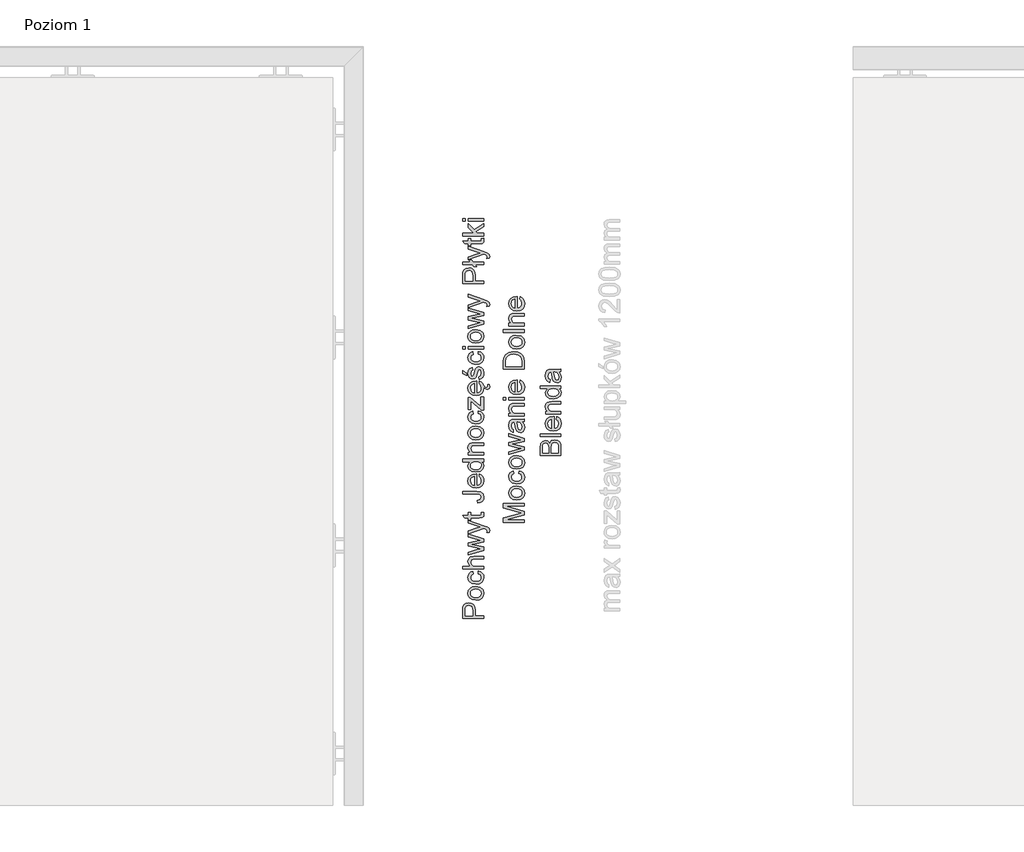
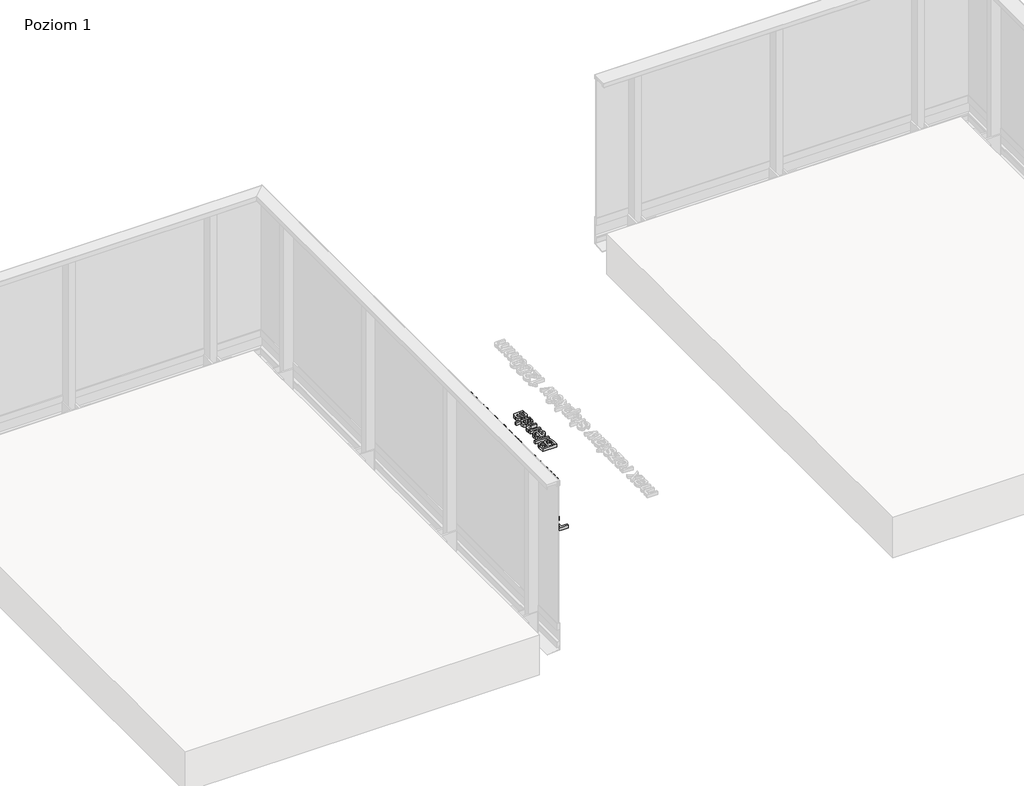
# One storey, part 21 of 35: 3 proxies.
"""IFC4 building model written with IfcOpenShell, lengths in millimetres."""

from ifc_helpers import new_model, si_unit, origin, origin_with_axes, place, context, project, spatial, polyline, outline, extrude, element, save

model = new_model("IFC4")

# Units and contexts
model_context = context("Model", 3, world=origin())
ifc_project = project(units=[si_unit("LENGTHUNIT", "METRE", prefix="MILLI")], contexts=[model_context])

# Site, building, storey
site = spatial("IfcSite", under=ifc_project)
building = spatial("IfcBuilding", under=site)
storey = spatial("IfcBuildingStorey", under=building, Name="Poziom 1", Elevation=0.0)

# Proxies
placement = place(None, origin())
element("IfcBuildingElementProxy", 1, Name="Generic Models", at=placement, inside=storey, context=model_context, shape_type="SweptSolid", body=[
    extrude(outline(polyline([(10115.5993765, -3730.4161008), (10015.1430664, -3730.4161008), (10015.1430664, -3693.1864429), (10016.0995596, -3678.1768575), (10020.7961864, -3665.975438), (10030.508271, -3658.0659751), (10044.205744, -3655.0738682), (10056.0454129, -3657.0941535), (10065.9107817, -3663.1550093), (10072.5694458, -3674.4888405), (10074.7890005, -3692.3280515), (10074.7890005, -3717.859062), (10115.5993765, -3717.859062), (10115.5993765, -3730.4161008)]), holes=[polyline([(10062.2319618, -3717.859062), (10062.2319618, -3691.5922876), (10057.6211741, -3673.1000859), (10052.0722873, -3668.9982017), (10044.6472024, -3667.6309069), (10034.2484047, -3670.8560058), (10028.5584965, -3679.3295544), (10027.7001052, -3691.8865932), (10027.7001052, -3717.859062), (10062.2319618, -3717.859062)])]), origin_with_axes(), (0.0, 0.0, 1.0), 20.0),
    extrude(outline(polyline([(10078.7130752, -3642.5168294), (10060.9259807, -3639.800634), (10048.4241242, -3631.6520478), (10042.298889, -3621.5843439), (10040.2571439, -3609.5300772), (10042.7434131, -3596.338442), (10050.2022205, -3585.8016885), (10062.0449551, -3578.894704), (10077.6830056, -3576.5923759), (10100.0257054, -3580.6636033), (10112.6685833, -3592.5216663), (10117.1690064, -3609.5300772), (10114.6919343, -3622.8811279), (10107.260718, -3633.4056187), (10095.1696631, -3640.2390267), (10078.7130752, -3642.5168294)]), holes=[polyline([(10078.6885497, -3629.9597906), (10090.0530377, -3628.5066567), (10098.1495072, -3624.1472551), (10102.9963525, -3617.5866929), (10104.6119676, -3609.5300772), (10102.9871555, -3601.5102497), (10098.112719, -3594.9619502), (10089.9089505, -3590.6025485), (10078.2961422, -3589.1494146), (10067.2627481, -3590.6117456), (10059.2766431, -3594.9987384), (10054.4297978, -3601.5562349), (10052.8141827, -3609.5300772), (10054.4236664, -3617.5866929), (10059.2521176, -3624.1472551), (10067.3301931, -3628.5066567), (10078.6885497, -3629.9597906)])]), origin_with_axes(), (0.0, 0.0, 1.0), 20.0),
    extrude(outline(polyline([(10088.9156692, -3515.3768119), (10090.485299, -3502.8197731), (10101.6535832, -3506.3207834), (10110.0934093, -3512.8997398), (10115.4001071, -3521.9373741), (10117.1690064, -3532.8144184), (10114.7011313, -3546.1716005), (10107.2975062, -3556.6163835), (10095.2830934, -3563.3578211), (10078.9828553, -3565.6049669), (10058.1239462, -3561.7667315), (10044.7207788, -3550.068084), (10040.2571439, -3532.9860967), (10041.7899856, -3522.3757668), (10046.3885105, -3513.8930212), (10053.8074641, -3507.8076398), (10063.8015916, -3504.3894029), (10065.3712215, -3516.9464417), (10055.9657051, -3522.77124), (10052.8141827, -3532.8879948), (10054.3654184, -3541.0028585), (10059.0191257, -3547.4438591), (10067.0266904, -3551.6469109), (10078.6394988, -3553.0479282), (10090.4086569, -3551.6775677), (10098.4438128, -3547.5664864), (10103.0699289, -3541.2419818), (10104.6119676, -3533.2313514), (10100.7614694, -3521.3978139), (10088.9156692, -3515.3768119)])), origin_with_axes(), (0.0, 0.0, 1.0), 20.0),
    extrude(outline(polyline([(10115.5993765, -3491.8323642), (10015.1430664, -3491.8323642), (10015.1430664, -3479.2753254), (10052.0784187, -3479.2753254), (10043.2124626, -3469.483533), (10040.2571439, -3457.4231349), (10043.4822427, -3443.3209917), (10052.3972498, -3434.761604), (10068.9028886, -3432.18643), (10115.5993765, -3432.18643), (10115.5993765, -3444.7434688), (10070.2027383, -3444.7434688), (10056.9589865, -3448.7411198), (10052.8141827, -3460.0718853), (10055.6100859, -3470.3603184), (10063.188455, -3477.227449), (10076.4076813, -3479.2753254), (10115.5993765, -3479.2753254), (10115.5993765, -3491.8323642)])), origin_with_axes(), (0.0, 0.0, 1.0), 20.0),
    extrude(outline(polyline([(10115.5993765, -3402.682294), (10041.8267738, -3425.1230957), (10041.8267738, -3412.0755476), (10084.8689672, -3399.3468306), (10100.2464346, -3395.5453833), (10085.4330529, -3392.4306491), (10041.8267738, -3382.3016315), (10041.8267738, -3367.341097), (10085.3104256, -3357.2611303), (10098.7258557, -3354.4897526), (10084.5746616, -3350.5166271), (10041.8267738, -3337.7633846), (10041.8267738, -3324.6667856), (10115.5993765, -3347.2792655), (10115.5993765, -3362.4605292), (10072.3364539, -3372.0990375), (10058.8474474, -3374.8949406), (10115.5993765, -3387.3293521), (10115.5993765, -3402.682294)])), origin_with_axes(), (0.0, 0.0, 1.0), 20.0),
    extrude(outline(polyline([(10143.8527138, -3316.0338214), (10131.7616589, -3317.6034513), (10132.8653048, -3311.22683), (10131.479616, -3305.2671417), (10127.616855, -3301.6128472), (10118.3707542, -3298.1792819), (10115.3295964, -3297.1982633), (10041.8267738, -3323.8819706), (10041.8267738, -3310.6382188), (10082.7843026, -3296.4870247), (10099.1673141, -3291.557406), (10084.6972889, -3286.6277873), (10041.8267738, -3272.0841857), (10041.8267738, -3258.9385358), (10117.3652101, -3284.616699), (10133.7482216, -3291.2876259), (10142.601915, -3298.5716894), (10145.4223436, -3308.3573504), (10143.8527138, -3316.0338214)])), origin_with_axes(), (0.0, 0.0, 1.0), 20.0),
    extrude(outline(polyline([(10105.1270024, -3221.8560306), (10115.9672585, -3220.2864008), (10117.1690064, -3229.6796544), (10115.0843417, -3240.2010795), (10109.6151627, -3245.4495293), (10095.3658668, -3246.9701082), (10054.3838125, -3246.9701082), (10054.3838125, -3256.3878873), (10041.8267738, -3256.3878873), (10041.8267738, -3246.9701082), (10023.8986579, -3246.9701082), (10016.5164925, -3234.4130694), (10041.8267738, -3234.4130694), (10041.8267738, -3221.8560306), (10054.3838125, -3221.8560306), (10054.3838125, -3234.4130694), (10094.9979848, -3234.4130694), (10101.4727079, -3233.7508818), (10103.765839, -3231.6049035), (10104.6119676, -3227.3252096), (10105.1270024, -3221.8560306)])), origin_with_axes(), (0.0, 0.0, 1.0), 20.0),
    extrude(outline(polyline([(10087.3950902, -3174.7671353), (10085.7764095, -3162.2100965), (10100.6143166, -3157.9181399), (10104.6119676, -3147.3231384), (10102.343362, -3138.7269625), (10096.1629445, -3133.7482928), (10083.7162703, -3132.3871294), (10015.1430664, -3132.3871294), (10015.1430664, -3119.8300907), (10083.4955411, -3119.8300907), (10103.0055496, -3122.8589857), (10113.5392374, -3132.4729686), (10117.1690064, -3147.9117496), (10115.2958739, -3159.5184266), (10109.6764764, -3168.0471575), (10100.3598649, -3173.2220309), (10087.3950902, -3174.7671353)])), origin_with_axes(), (0.0, 0.0, 1.0), 20.0),
    extrude(outline(polyline([(10093.6245587, -3047.7742705), (10095.1941885, -3035.4624864), (10104.4709462, -3039.8985301), (10111.4055218, -3046.9771929), (10115.7281352, -3056.5390591), (10117.1690064, -3068.4247132), (10114.6827372, -3083.1583871), (10107.2239298, -3094.4952839), (10095.276962, -3101.7241651), (10079.3262118, -3104.1337922), (10062.8389671, -3101.6996397), (10050.5087889, -3094.3971821), (10042.8200552, -3083.2135694), (10040.2571439, -3069.1359517), (10042.8139238, -3055.4967267), (10050.4842634, -3044.5982226), (10062.7899161, -3037.4521149), (10079.2526354, -3035.070079), (10082.6371498, -3035.1436554), (10082.6371498, -3091.5767534), (10092.0365347, -3089.403184), (10098.9465849, -3084.3540036), (10103.1956219, -3077.0668744), (10104.6119676, -3068.1794585), (10101.9877427, -3055.8676744), (10093.6245587, -3047.7742705)]), holes=[polyline([(10070.080111, -3091.5767534), (10070.080111, -3047.6271177), (10058.7002946, -3052.6548383), (10054.2857107, -3059.97569), (10052.8141827, -3069.1850026), (10057.5108095, -3084.6483092), (10063.0014483, -3089.5135486), (10070.080111, -3091.5767534)])]), origin_with_axes(), (0.0, 0.0, 1.0), 20.0),
    extrude(outline(polyline([(10115.5993765, -2976.9937747), (10103.7535763, -2976.9937747), (10113.8151489, -2985.3017764), (10117.1690064, -2996.785826), (10112.312964, -3012.3349717), (10098.7626439, -3023.3223806), (10078.7866516, -3027.2219297), (10058.7983965, -3023.6289489), (10045.0396099, -3012.8622692), (10040.2571439, -2996.8348769), (10043.6784465, -2985.2588568), (10052.568928, -2976.9937747), (10015.1430664, -2976.9937747), (10015.1430664, -2964.4367359), (10115.5993765, -2964.4367359), (10115.5993765, -2976.9937747)]), holes=[polyline([(10078.7376006, -3014.664891), (10090.0959572, -3013.2485453), (10098.1740327, -3008.9995082), (10103.0024839, -3002.8252221), (10104.6119676, -2995.6331291), (10103.0760603, -2988.4441018), (10098.4683383, -2982.4261655), (10090.7029625, -2978.3518724), (10079.6940938, -2976.9937747), (10067.6582212, -2978.3763978), (10059.3134313, -2982.5242673), (10054.4389948, -2988.6954878), (10052.8141827, -2996.1481639), (10054.3746155, -3003.4138333), (10059.0559139, -3009.3673902), (10067.0972012, -3013.3405158), (10078.7376006, -3014.664891)])]), origin_with_axes(), (0.0, 0.0, 1.0), 20.0),
    extrude(outline(polyline([(10115.5993765, -2945.6011777), (10041.8267738, -2945.6011777), (10041.8267738, -2933.044139), (10052.1274696, -2933.044139), (10043.2247253, -2923.4424189), (10040.2571439, -2910.3335571), (10042.6483769, -2898.4754942), (10048.9268963, -2890.3820903), (10058.1607344, -2886.6174312), (10070.3008402, -2885.9552436), (10115.5993765, -2885.9552436), (10115.5993765, -2898.5122824), (10071.9930974, -2898.5122824), (10060.8830611, -2899.9592849), (10055.0092119, -2905.0728446), (10052.8141827, -2913.693546), (10057.7438014, -2927.3174426), (10064.8868435, -2931.6124649), (10076.4567322, -2933.044139), (10115.5993765, -2933.044139), (10115.5993765, -2945.6011777)])), origin_with_axes(), (0.0, 0.0, 1.0), 20.0),
    extrude(outline(polyline([(10078.7130752, -2871.828575), (10060.9259807, -2869.1123796), (10048.4241242, -2860.9637934), (10042.298889, -2850.8960894), (10040.2571439, -2838.8418227), (10042.7434131, -2825.6501875), (10050.2022205, -2815.113434), (10062.0449551, -2808.2064496), (10077.6830056, -2805.9041214), (10100.0257054, -2809.9753488), (10112.6685833, -2821.8334118), (10117.1690064, -2838.8418227), (10114.6919343, -2852.1928735), (10107.260718, -2862.7173642), (10095.1696631, -2869.5507723), (10078.7130752, -2871.828575)]), holes=[polyline([(10078.6885497, -2859.2715362), (10090.0530377, -2857.8184023), (10098.1495072, -2853.4590007), (10102.9963525, -2846.8984384), (10104.6119676, -2838.8418227), (10102.9871555, -2830.8219952), (10098.112719, -2824.2736957), (10089.9089505, -2819.9142941), (10078.2961422, -2818.4611602), (10067.2627481, -2819.9234911), (10059.2766431, -2824.3104839), (10054.4297978, -2830.8679805), (10052.8141827, -2838.8418227), (10054.4236664, -2846.8984384), (10059.2521176, -2853.4590007), (10067.3301931, -2857.8184023), (10078.6885497, -2859.2715362)])]), origin_with_axes(), (0.0, 0.0, 1.0), 20.0),
    extrude(outline(polyline([(10088.9156692, -2744.6885574), (10090.485299, -2732.1315187), (10101.6535832, -2735.632529), (10110.0934093, -2742.2114853), (10115.4001071, -2751.2491197), (10117.1690064, -2762.126164), (10114.7011313, -2775.4833461), (10107.2975062, -2785.9281291), (10095.2830934, -2792.6695667), (10078.9828553, -2794.9167125), (10058.1239462, -2791.078477), (10044.7207788, -2779.3798296), (10040.2571439, -2762.2978423), (10041.7899856, -2751.6875124), (10046.3885105, -2743.2047667), (10053.8074641, -2737.1193854), (10063.8015916, -2733.7011485), (10065.3712215, -2746.2581873), (10055.9657051, -2752.0829855), (10052.8141827, -2762.1997404), (10054.3654184, -2770.3146041), (10059.0191257, -2776.7556047), (10067.0266904, -2780.9586565), (10078.6394988, -2782.3596737), (10090.4086569, -2780.9893133), (10098.4438128, -2776.878232), (10103.0699289, -2770.5537274), (10104.6119676, -2762.5430969), (10100.7614694, -2750.7095594), (10088.9156692, -2744.6885574)])), origin_with_axes(), (0.0, 0.0, 1.0), 20.0),
    extrude(outline(polyline([(10115.5993765, -2728.992259), (10103.7781018, -2728.992259), (10054.3838125, -2685.6557599), (10054.3838125, -2698.4825788), (10054.3838125, -2725.8529993), (10041.8267738, -2725.8529993), (10041.8267738, -2667.776695), (10052.4953516, -2667.776695), (10096.32236, -2706.2081007), (10103.0423378, -2712.0942127), (10103.0423378, -2697.5751366), (10103.0423378, -2666.2070651), (10115.5993765, -2666.2070651), (10115.5993765, -2728.992259)])), origin_with_axes(), (0.0, 0.0, 1.0), 20.0),
    extrude(outline(polyline([(10093.6245587, -2601.9993942), (10095.1941885, -2589.6876101), (10104.4709462, -2594.1236539), (10111.4055218, -2601.2023166), (10115.768218, -2611.0948233), (10121.6694295, -2616.9721914), (10128.9902812, -2619.1181697), (10133.9689508, -2617.5853281), (10136.0045645, -2612.6189212), (10135.5631061, -2609.4796615), (10134.3858838, -2606.561131), (10143.0433734, -2606.561131), (10145.4223436, -2615.3657734), (10144.4167995, -2621.1415207), (10141.6454218, -2625.2617991), (10137.5864571, -2627.7266084), (10132.6691011, -2628.5359488), (10123.7540941, -2626.0834022), (10116.8755159, -2620.228853), (10117.1690064, -2622.6498369), (10114.6827372, -2637.3835108), (10107.2239298, -2648.7204076), (10095.276962, -2655.9492888), (10079.3262118, -2658.3589159), (10062.8389671, -2655.9247634), (10050.5087889, -2648.6223058), (10042.8200552, -2637.4386931), (10040.2571439, -2623.3610754), (10042.8139238, -2609.7218505), (10050.4842634, -2598.8233463), (10062.7899161, -2591.6772386), (10079.2526354, -2589.2952027), (10082.6371498, -2589.3687791), (10082.6371498, -2645.8018771), (10092.0365347, -2643.6283077), (10098.9465849, -2638.5791273), (10103.1956219, -2631.2919981), (10104.6119676, -2622.4045822), (10101.9877427, -2610.0927981), (10093.6245587, -2601.9993942)]), holes=[polyline([(10070.080111, -2645.8018771), (10070.080111, -2601.8522414), (10058.7002946, -2606.879962), (10054.2857107, -2614.2008137), (10052.8141827, -2623.4101264), (10057.5108095, -2638.8734329), (10063.0014483, -2643.7386723), (10070.080111, -2645.8018771)])]), origin_with_axes(), (0.0, 0.0, 1.0), 20.0),
    extrude(outline(polyline([(10093.6245587, -2581.4470534), (10092.0549288, -2568.8900147), (10101.3746061, -2563.0774792), (10104.6119676, -2549.7601509), (10101.6443862, -2536.9578575), (10094.6791537, -2532.7885282), (10089.0382965, -2536.982383), (10085.4575784, -2549.9073037), (10079.3139491, -2568.8164383), (10072.1402502, -2577.0692577), (10062.0112326, -2579.8774236), (10052.6547672, -2577.6210807), (10045.5055937, -2571.4651886), (10041.7899856, -2563.4821493), (10040.2571439, -2552.6786814), (10042.7219533, -2537.3993159), (10049.3928801, -2527.6872312), (10060.6623319, -2523.3707491), (10062.2319618, -2535.9277879), (10055.3035175, -2540.6489402), (10052.8141827, -2551.6976628), (10055.1931529, -2563.7151413), (10060.7359083, -2567.3203848), (10064.3902028, -2565.8243314), (10067.1615805, -2561.1399673), (10069.8348563, -2550.3242367), (10075.7454937, -2531.8933487), (10082.440946, -2523.3339609), (10093.3547786, -2520.2314894), (10105.3722571, -2523.8735212), (10114.0910604, -2534.3826835), (10117.1690064, -2549.9318292), (10115.6852157, -2562.5931012), (10111.2338435, -2571.8330706), (10103.8639409, -2578.0012254), (10093.6245587, -2581.4470534)])), origin_with_axes(), (0.0, 0.0, 1.0), 20.0),
    extrude(outline(polyline([(10033.9786245, -2562.6114953), (10015.1430664, -2553.1937162), (10015.1430664, -2537.4974178), (10033.9786245, -2553.1937162), (10033.9786245, -2562.6114953)])), origin_with_axes(), (0.0, 0.0, 1.0), 20.0),
    extrude(outline(polyline([(10088.9156692, -2459.0159254), (10090.485299, -2446.4588867), (10101.6535832, -2449.959897), (10110.0934093, -2456.5388533), (10115.4001071, -2465.5764877), (10117.1690064, -2476.453532), (10114.7011313, -2489.8107141), (10107.2975062, -2500.2554971), (10095.2830934, -2506.9969347), (10078.9828553, -2509.2440805), (10058.1239462, -2505.405845), (10044.7207788, -2493.7071976), (10040.2571439, -2476.6252103), (10041.7899856, -2466.0148804), (10046.3885105, -2457.5321347), (10053.8074641, -2451.4467534), (10063.8015916, -2448.0285165), (10065.3712215, -2460.5855553), (10055.9657051, -2466.4103536), (10052.8141827, -2476.5271084), (10054.3654184, -2484.6419721), (10059.0191257, -2491.0829727), (10067.0266904, -2495.2860245), (10078.6394988, -2496.6870418), (10090.4086569, -2495.3166813), (10098.4438128, -2491.2056), (10103.0699289, -2484.8810954), (10104.6119676, -2476.8704649), (10100.7614694, -2465.0369274), (10088.9156692, -2459.0159254)])), origin_with_axes(), (0.0, 0.0, 1.0), 20.0),
    extrude(outline(polyline([(10027.7001052, -2435.4714778), (10015.1430664, -2435.4714778), (10015.1430664, -2422.914439), (10027.7001052, -2422.914439), (10027.7001052, -2435.4714778)])), origin_with_axes(), (0.0, 0.0, 1.0), 20.0),
    extrude(outline(polyline([(10115.5993765, -2435.4714778), (10041.8267738, -2435.4714778), (10041.8267738, -2422.914439), (10115.5993765, -2422.914439), (10115.5993765, -2435.4714778)])), origin_with_axes(), (0.0, 0.0, 1.0), 20.0),
    extrude(outline(polyline([(10078.7130752, -2407.2181405), (10060.9259807, -2404.5019451), (10048.4241242, -2396.3533589), (10042.298889, -2386.285655), (10040.2571439, -2374.2313883), (10042.7434131, -2361.0397531), (10050.2022205, -2350.5029996), (10062.0449551, -2343.5960151), (10077.6830056, -2341.293687), (10100.0257054, -2345.3649144), (10112.6685833, -2357.2229774), (10117.1690064, -2374.2313883), (10114.6919343, -2387.582439), (10107.260718, -2398.1069298), (10095.1696631, -2404.9403378), (10078.7130752, -2407.2181405)]), holes=[polyline([(10078.6885497, -2394.6611018), (10090.0530377, -2393.2079679), (10098.1495072, -2388.8485662), (10102.9963525, -2382.288004), (10104.6119676, -2374.2313883), (10102.9871555, -2366.2115608), (10098.112719, -2359.6632613), (10089.9089505, -2355.3038596), (10078.2961422, -2353.8507258), (10067.2627481, -2355.3130567), (10059.2766431, -2359.7000495), (10054.4297978, -2366.257546), (10052.8141827, -2374.2313883), (10054.4236664, -2382.288004), (10059.2521176, -2388.8485662), (10067.3301931, -2393.2079679), (10078.6885497, -2394.6611018)])]), origin_with_axes(), (0.0, 0.0, 1.0), 20.0),
    extrude(outline(polyline([(10115.5993765, -2314.9288107), (10041.8267738, -2337.3696124), (10041.8267738, -2324.3220643), (10084.8689672, -2311.5933472), (10100.2464346, -2307.7919), (10085.4330529, -2304.6771657), (10041.8267738, -2294.5481481), (10041.8267738, -2279.5876137), (10085.3104256, -2269.507647), (10098.7258557, -2266.7362693), (10084.5746616, -2262.7631438), (10041.8267738, -2250.0099013), (10041.8267738, -2236.9133022), (10115.5993765, -2259.5257822), (10115.5993765, -2274.7070459), (10072.3364539, -2284.3455541), (10058.8474474, -2287.1414573), (10115.5993765, -2299.5758687), (10115.5993765, -2314.9288107)])), origin_with_axes(), (0.0, 0.0, 1.0), 20.0),
    extrude(outline(polyline([(10143.8527138, -2228.2803381), (10131.7616589, -2229.8499679), (10132.8653048, -2223.4733467), (10131.479616, -2217.5136583), (10127.616855, -2213.8593639), (10118.3707542, -2210.4257986), (10115.3295964, -2209.4447799), (10041.8267738, -2236.1284873), (10041.8267738, -2222.8847355), (10082.7843026, -2208.7335414), (10099.1673141, -2203.8039227), (10084.6972889, -2198.8743039), (10041.8267738, -2184.3307024), (10041.8267738, -2171.1850524), (10117.3652101, -2196.8632157), (10133.7482216, -2203.5341425), (10142.601915, -2210.818206), (10145.4223436, -2220.6038671), (10143.8527138, -2228.2803381)])), origin_with_axes(), (0.0, 0.0, 1.0), 20.0),
    extrude(outline(polyline([(10115.5993765, -2119.9758787), (10015.1430664, -2119.9758787), (10015.1430664, -2082.7462208), (10016.0995596, -2067.7366354), (10020.7961864, -2055.5352159), (10030.508271, -2047.625753), (10044.205744, -2044.6336461), (10056.0454129, -2046.6539314), (10065.9107817, -2052.7147872), (10072.5694458, -2064.0486184), (10074.7890005, -2081.8878295), (10074.7890005, -2107.4188399), (10115.5993765, -2107.4188399), (10115.5993765, -2119.9758787)]), holes=[polyline([(10062.2319618, -2107.4188399), (10062.2319618, -2081.1520655), (10057.6211741, -2062.6598638), (10052.0722873, -2058.5579796), (10044.6472024, -2057.1906848), (10034.2484047, -2060.4157837), (10028.5584965, -2068.8893323), (10027.7001052, -2081.4463711), (10027.7001052, -2107.4188399), (10062.2319618, -2107.4188399)])]), origin_with_axes(), (0.0, 0.0, 1.0), 20.0),
    extrude(outline(polyline([(10075.8926465, -2028.9373476), (10083.4219647, -2038.3551267), (10069.2952961, -2038.3551267), (10061.7659779, -2028.9373476), (10015.1430664, -2028.9373476), (10015.1430664, -2016.3803089), (10051.7105367, -2016.3803089), (10044.1812185, -2006.9625298), (10058.3078872, -2006.9625298), (10065.8372053, -2016.3803089), (10115.5993765, -2016.3803089), (10115.5993765, -2028.9373476), (10075.8926465, -2028.9373476)])), origin_with_axes(), (0.0, 0.0, 1.0), 20.0),
    extrude(outline(polyline([(10143.8527138, -1997.5447507), (10131.7616589, -1999.1143805), (10132.8653048, -1992.7377593), (10131.479616, -1986.778071), (10127.616855, -1983.1237765), (10118.3707542, -1979.6902112), (10115.3295964, -1978.7091925), (10041.8267738, -2005.3928999), (10041.8267738, -1992.1491481), (10082.7843026, -1977.997954), (10099.1673141, -1973.0683353), (10084.6972889, -1968.1387166), (10041.8267738, -1953.595115), (10041.8267738, -1940.449465), (10117.3652101, -1966.1276283), (10133.7482216, -1972.7985552), (10142.601915, -1980.0826187), (10145.4223436, -1989.8682797), (10143.8527138, -1997.5447507)])), origin_with_axes(), (0.0, 0.0, 1.0), 20.0),
    extrude(outline(polyline([(10105.1270024, -1903.3669599), (10115.9672585, -1901.7973301), (10117.1690064, -1911.1905837), (10115.0843417, -1921.7120088), (10109.6151627, -1926.9604586), (10095.3658668, -1928.4810375), (10054.3838125, -1928.4810375), (10054.3838125, -1937.8988165), (10041.8267738, -1937.8988165), (10041.8267738, -1928.4810375), (10023.8986579, -1928.4810375), (10016.5164925, -1915.9239987), (10041.8267738, -1915.9239987), (10041.8267738, -1903.3669599), (10054.3838125, -1903.3669599), (10054.3838125, -1915.9239987), (10094.9979848, -1915.9239987), (10101.4727079, -1915.2618111), (10103.765839, -1913.1158328), (10104.6119676, -1908.8361389), (10105.1270024, -1903.3669599)])), origin_with_axes(), (0.0, 0.0, 1.0), 20.0),
    extrude(outline(polyline([(10115.5993765, -1890.8099212), (10015.1430664, -1890.8099212), (10015.1430664, -1878.2528824), (10069.1236178, -1878.2528824), (10041.8267738, -1850.097647), (10041.8267738, -1832.7336169), (10069.4669743, -1861.2322088), (10115.5993765, -1831.163987), (10115.5993765, -1845.8302159), (10078.1980404, -1870.2330549), (10085.9726132, -1878.2528824), (10115.5993765, -1878.2528824), (10115.5993765, -1890.8099212)])), origin_with_axes(), (0.0, 0.0, 1.0), 20.0),
    extrude(outline(polyline([(10027.7001052, -1820.1765781), (10015.1430664, -1820.1765781), (10015.1430664, -1807.6195393), (10027.7001052, -1807.6195393), (10027.7001052, -1820.1765781)])), origin_with_axes(), (0.0, 0.0, 1.0), 20.0),
    extrude(outline(polyline([(10115.5993765, -1820.1765781), (10041.8267738, -1820.1765781), (10041.8267738, -1807.6195393), (10115.5993765, -1807.6195393), (10115.5993765, -1820.1765781)])), origin_with_axes(), (0.0, 0.0, 1.0), 20.0),
])
element("IfcBuildingElementProxy", 2, Name="Generic Models", at=placement, inside=storey, context=model_context, shape_type="SweptSolid", body=[
    extrude(outline(polyline([(10311.0111089, -3270.0219111), (10210.5547987, -3270.0219111), (10210.5547987, -3248.4149753), (10281.3598201, -3227.8626345), (10296.1486763, -3223.7178306), (10280.1335468, -3219.2296703), (10210.5547987, -3199.020686), (10210.5547987, -3177.4137502), (10311.0111089, -3177.4137502), (10311.0111089, -3189.970789), (10223.1118375, -3189.970789), (10311.0111089, -3215.2074938), (10311.0111089, -3232.2281675), (10223.1118375, -3257.4648723), (10311.0111089, -3257.4648723), (10311.0111089, -3270.0219111)])), origin_with_axes(), (0.0, 0.0, 1.0), 20.0),
    extrude(outline(polyline([(10274.1248075, -3160.1478219), (10256.337713, -3157.4316265), (10243.8358566, -3149.2830403), (10237.7106214, -3139.2153364), (10235.6688763, -3127.1610696), (10238.1551454, -3113.9694344), (10245.6139529, -3103.432681), (10257.4566874, -3096.5256965), (10273.0947379, -3094.2233683), (10295.4374378, -3098.2945958), (10308.0803157, -3110.1526587), (10312.5807387, -3127.1610696), (10310.1036666, -3140.5121204), (10302.6724503, -3151.0366111), (10290.5813954, -3157.8700192), (10274.1248075, -3160.1478219)]), holes=[polyline([(10274.100282, -3147.5907831), (10285.46477, -3146.1376492), (10293.5612396, -3141.7782476), (10298.4080849, -3135.2176853), (10300.0237, -3127.1610696), (10298.3988878, -3119.1412421), (10293.5244514, -3112.5929426), (10285.3206829, -3108.233541), (10273.7078746, -3106.7804071), (10262.6744804, -3108.242738), (10254.6883754, -3112.6297308), (10249.8415301, -3119.1872274), (10248.225915, -3127.1610696), (10249.8353988, -3135.2176853), (10254.66385, -3141.7782476), (10262.7419254, -3146.1376492), (10274.100282, -3147.5907831)])]), origin_with_axes(), (0.0, 0.0, 1.0), 20.0),
    extrude(outline(polyline([(10284.3274015, -3033.0078043), (10285.8970314, -3020.4507656), (10297.0653156, -3023.9517759), (10305.5051417, -3030.5307322), (10310.8118395, -3039.5683666), (10312.5807387, -3050.4454109), (10310.1128637, -3063.802593), (10302.7092385, -3074.247376), (10290.6948257, -3080.9888136), (10274.3945876, -3083.2359594), (10253.5356785, -3079.3977239), (10240.1325112, -3067.6990765), (10235.6688763, -3050.6170892), (10237.2017179, -3040.0067593), (10241.8002429, -3031.5240136), (10249.2191964, -3025.4386323), (10259.213324, -3022.0203954), (10260.7829538, -3034.5774342), (10251.3774375, -3040.4022324), (10248.225915, -3050.5189873), (10249.7771508, -3058.633851), (10254.430858, -3065.0748516), (10262.4384228, -3069.2779034), (10274.0512311, -3070.6789207), (10285.8203893, -3069.3085602), (10293.8555452, -3065.1974789), (10298.4816613, -3058.8729743), (10300.0237, -3050.8623438), (10296.1732018, -3039.0288063), (10284.3274015, -3033.0078043)])), origin_with_axes(), (0.0, 0.0, 1.0), 20.0),
    extrude(outline(polyline([(10274.1248075, -3012.6026163), (10256.337713, -3009.8864209), (10243.8358566, -3001.7378348), (10237.7106214, -2991.6701308), (10235.6688763, -2979.6158641), (10238.1551454, -2966.4242289), (10245.6139529, -2955.8874754), (10257.4566874, -2948.980491), (10273.0947379, -2946.6781628), (10295.4374378, -2950.7493902), (10308.0803157, -2962.6074532), (10312.5807387, -2979.6158641), (10310.1036666, -2992.9669149), (10302.6724503, -3003.4914056), (10290.5813954, -3010.3248137), (10274.1248075, -3012.6026163)]), holes=[polyline([(10274.100282, -3000.0455776), (10285.46477, -2998.5924437), (10293.5612396, -2994.2330421), (10298.4080849, -2987.6724798), (10300.0237, -2979.6158641), (10298.3988878, -2971.5960366), (10293.5244514, -2965.0477371), (10285.3206829, -2960.6883355), (10273.7078746, -2959.2352016), (10262.6744804, -2960.6975325), (10254.6883754, -2965.0845253), (10249.8415301, -2971.6420219), (10248.225915, -2979.6158641), (10249.8353988, -2987.6724798), (10254.66385, -2994.2330421), (10262.7419254, -2998.5924437), (10274.100282, -3000.0455776)])]), origin_with_axes(), (0.0, 0.0, 1.0), 20.0),
    extrude(outline(polyline([(10311.0111089, -2920.3132865), (10237.2385061, -2942.7540882), (10237.2385061, -2929.7065401), (10280.2806996, -2916.9778231), (10295.658167, -2913.1763758), (10280.8447853, -2910.0616416), (10237.2385061, -2899.932624), (10237.2385061, -2884.9720895), (10280.722158, -2874.8921228), (10294.137588, -2872.1207451), (10279.986394, -2868.1476196), (10237.2385061, -2855.3943771), (10237.2385061, -2842.297778), (10311.0111089, -2864.910258), (10311.0111089, -2880.0915217), (10267.7481863, -2889.73003), (10254.2591798, -2892.5259331), (10311.0111089, -2904.9603446), (10311.0111089, -2920.3132865)])), origin_with_axes(), (0.0, 0.0, 1.0), 20.0),
    extrude(outline(polyline([(10301.5933298, -2786.5759185), (10310.1036666, -2798.7528126), (10312.5807387, -2812.2050308), (10311.0908167, -2822.6988648), (10306.6210504, -2830.4397151), (10299.8336276, -2835.212984), (10291.3907358, -2836.8040736), (10281.4579219, -2834.4005779), (10274.2474348, -2828.0852703), (10270.1271565, -2819.2928906), (10268.2386956, -2808.428109), (10263.9222135, -2786.6494949), (10261.1263103, -2786.5759185), (10251.8556841, -2790.0340093), (10248.225915, -2803.9154232), (10250.6416735, -2816.6196148), (10259.213324, -2822.677405), (10257.6436941, -2835.2344437), (10245.380961, -2829.8020529), (10238.1949993, -2818.863695), (10235.6688763, -2802.2967424), (10237.9006937, -2787.0786906), (10243.5047628, -2778.4825146), (10252.0273623, -2774.6320164), (10263.0147713, -2774.0188797), (10278.6374933, -2774.0188797), (10300.4528956, -2773.3812176), (10311.0111089, -2770.87962), (10311.0111089, -2783.4366588), (10301.5933298, -2786.5759185)]), holes=[polyline([(10276.4792523, -2786.5759185), (10280.3297505, -2806.8339537), (10282.3653642, -2817.6374216), (10285.6763022, -2822.5302522), (10290.507819, -2824.2470348), (10297.3013732, -2820.5069012), (10300.0237, -2809.531755), (10297.0193303, -2796.8275634), (10289.7475296, -2788.6360577), (10280.0354449, -2786.6494949), (10276.4792523, -2786.5759185)])]), origin_with_axes(), (0.0, 0.0, 1.0), 20.0),
    extrude(outline(polyline([(10311.0111089, -2756.7529514), (10237.2385061, -2756.7529514), (10237.2385061, -2744.1959127), (10247.539202, -2744.1959127), (10238.6364577, -2734.5941926), (10235.6688763, -2721.4853308), (10238.0601092, -2709.6272679), (10244.3386286, -2701.533864), (10253.5724667, -2697.7692049), (10265.7125726, -2697.1070173), (10311.0111089, -2697.1070173), (10311.0111089, -2709.6640561), (10267.4048297, -2709.6640561), (10256.2947935, -2711.1110586), (10250.4209443, -2716.2246183), (10248.225915, -2724.8453197), (10253.1555338, -2738.4692163), (10260.2985759, -2742.7642386), (10271.8684646, -2744.1959127), (10311.0111089, -2744.1959127), (10311.0111089, -2756.7529514)])), origin_with_axes(), (0.0, 0.0, 1.0), 20.0),
    extrude(outline(polyline([(10223.1118375, -2679.841089), (10210.5547987, -2679.841089), (10210.5547987, -2667.2840502), (10223.1118375, -2667.2840502), (10223.1118375, -2679.841089)])), origin_with_axes(), (0.0, 0.0, 1.0), 20.0),
    extrude(outline(polyline([(10311.0111089, -2679.841089), (10237.2385061, -2679.841089), (10237.2385061, -2667.2840502), (10311.0111089, -2667.2840502), (10311.0111089, -2679.841089)])), origin_with_axes(), (0.0, 0.0, 1.0), 20.0),
    extrude(outline(polyline([(10289.036291, -2596.7978599), (10290.6059209, -2584.4860758), (10299.8826785, -2588.9221196), (10306.8172541, -2596.0007823), (10311.1398676, -2605.5626485), (10312.5807387, -2617.4483026), (10310.0944696, -2632.1819765), (10302.6356621, -2643.5188733), (10290.6886943, -2650.7477545), (10274.7379442, -2653.1573816), (10258.2506994, -2650.7232291), (10245.9205212, -2643.4207715), (10238.2317875, -2632.2371588), (10235.6688763, -2618.1595411), (10238.2256561, -2604.5203161), (10245.8959957, -2593.621812), (10258.2016485, -2586.4757043), (10274.6643678, -2584.0936684), (10278.0488821, -2584.1672448), (10278.0488821, -2640.6003428), (10287.4482671, -2638.4267734), (10294.3583172, -2633.377593), (10298.6073543, -2626.0904638), (10300.0237, -2617.2030479), (10297.3994751, -2604.8912638), (10289.036291, -2596.7978599)]), holes=[polyline([(10265.4918434, -2640.6003428), (10265.4918434, -2596.6507071), (10254.112027, -2601.6784277), (10249.697443, -2608.9992794), (10248.225915, -2618.2085921), (10252.9225419, -2633.6718986), (10258.4131806, -2638.537138), (10265.4918434, -2640.6003428)])]), origin_with_axes(), (0.0, 0.0, 1.0), 20.0),
    extrude(outline(polyline([(10311.0111089, -2530.7262536), (10210.5547987, -2530.7262536), (10210.5547987, -2496.0717697), (10212.0018013, -2478.1436538), (10219.1877629, -2463.379323), (10236.3555893, -2451.4844718), (10260.2433936, -2447.5358718), (10280.5136915, -2450.2091476), (10295.1431322, -2457.0762782), (10304.2543429, -2466.2488026), (10309.2943262, -2478.2540184), (10311.0111089, -2494.4040379), (10311.0111089, -2530.7262536)]), holes=[polyline([(10298.4540701, -2518.1692148), (10298.4540701, -2495.9491423), (10296.6391856, -2479.78686), (10291.5133631, -2470.4671828), (10279.0421635, -2462.8275), (10260.0471898, -2460.0929105), (10246.3619796, -2461.4326141), (10236.2574875, -2465.4517249), (10225.1229257, -2478.4870103), (10223.1118375, -2496.2924988), (10223.1118375, -2518.1692148), (10298.4540701, -2518.1692148)])]), origin_with_axes(), (0.0, 0.0, 1.0), 20.0),
    extrude(outline(polyline([(10274.1248075, -2434.978833), (10256.337713, -2432.2626376), (10243.8358566, -2424.1140514), (10237.7106214, -2414.0463475), (10235.6688763, -2401.9920808), (10238.1551454, -2388.8004455), (10245.6139529, -2378.2636921), (10257.4566874, -2371.3567076), (10273.0947379, -2369.0543795), (10295.4374378, -2373.1256069), (10308.0803157, -2384.9836698), (10312.5807387, -2401.9920808), (10310.1036666, -2415.3431315), (10302.6724503, -2425.8676222), (10290.5813954, -2432.7010303), (10274.1248075, -2434.978833)]), holes=[polyline([(10274.100282, -2422.4217942), (10285.46477, -2420.9686603), (10293.5612396, -2416.6092587), (10298.4080849, -2410.0486964), (10300.0237, -2401.9920808), (10298.3988878, -2393.9722533), (10293.5244514, -2387.4239537), (10285.3206829, -2383.0645521), (10273.7078746, -2381.6114182), (10262.6744804, -2383.0737492), (10254.6883754, -2387.4607419), (10249.8415301, -2394.0182385), (10248.225915, -2401.9920808), (10249.8353988, -2410.0486964), (10254.66385, -2416.6092587), (10262.7419254, -2420.9686603), (10274.100282, -2422.4217942)])]), origin_with_axes(), (0.0, 0.0, 1.0), 20.0),
    extrude(outline(polyline([(10311.0111089, -2354.9277108), (10210.5547987, -2354.9277108), (10210.5547987, -2342.3706721), (10311.0111089, -2342.3706721), (10311.0111089, -2354.9277108)])), origin_with_axes(), (0.0, 0.0, 1.0), 20.0),
    extrude(outline(polyline([(10311.0111089, -2323.5351139), (10237.2385061, -2323.5351139), (10237.2385061, -2310.9780751), (10247.539202, -2310.9780751), (10238.6364577, -2301.3763551), (10235.6688763, -2288.2674933), (10238.0601092, -2276.4094303), (10244.3386286, -2268.3160264), (10253.5724667, -2264.5513674), (10265.7125726, -2263.8891798), (10311.0111089, -2263.8891798), (10311.0111089, -2276.4462185), (10267.4048297, -2276.4462185), (10256.2947935, -2277.893221), (10250.4209443, -2283.0067808), (10248.225915, -2291.6274822), (10253.1555338, -2305.2513788), (10260.2985759, -2309.546401), (10271.8684646, -2310.9780751), (10311.0111089, -2310.9780751), (10311.0111089, -2323.5351139)])), origin_with_axes(), (0.0, 0.0, 1.0), 20.0),
    extrude(outline(polyline([(10289.036291, -2194.9726193), (10290.6059209, -2182.6608352), (10299.8826785, -2187.096879), (10306.8172541, -2194.1755417), (10311.1398676, -2203.7374079), (10312.5807387, -2215.623062), (10310.0944696, -2230.3567359), (10302.6356621, -2241.6936327), (10290.6886943, -2248.9225139), (10274.7379442, -2251.332141), (10258.2506994, -2248.8979885), (10245.9205212, -2241.5955309), (10238.2317875, -2230.4119182), (10235.6688763, -2216.3343005), (10238.2256561, -2202.6950755), (10245.8959957, -2191.7965714), (10258.2016485, -2184.6504637), (10274.6643678, -2182.2684278), (10278.0488821, -2182.3420042), (10278.0488821, -2238.7751022), (10287.4482671, -2236.6015328), (10294.3583172, -2231.5523524), (10298.6073543, -2224.2652232), (10300.0237, -2215.3778073), (10297.3994751, -2203.0660232), (10289.036291, -2194.9726193)]), holes=[polyline([(10265.4918434, -2238.7751022), (10265.4918434, -2194.8254665), (10254.112027, -2199.8531871), (10249.697443, -2207.1740388), (10248.225915, -2216.3833515), (10252.9225419, -2231.846658), (10258.4131806, -2236.7118974), (10265.4918434, -2238.7751022)])]), origin_with_axes(), (0.0, 0.0, 1.0), 20.0),
])
element("IfcBuildingElementProxy", 3, Name="Generic Models", at=placement, inside=storey, context=model_context, shape_type="SweptSolid", body=[
    extrude(outline(polyline([(10487.3598268, -2946.9235997), (10386.9035167, -2946.9235997), (10386.9035167, -2908.5902958), (10389.8588354, -2889.8160514), (10398.9455207, -2878.7305406), (10411.796865, -2874.7206268), (10423.5323007, -2878.0928784), (10432.4227822, -2888.2832097), (10441.7915104, -2875.9101119), (10457.4142324, -2871.5813671), (10470.9155017, -2874.5366858), (10480.5294845, -2881.8575375), (10485.6307815, -2892.7836328), (10487.3598268, -2908.8846014), (10487.3598268, -2946.9235997)]), holes=[polyline([(10427.7138927, -2934.366561), (10427.7138927, -2911.4352499), (10426.6347722, -2898.0443453), (10421.9871963, -2889.9877296), (10413.8079533, -2887.2776656), (10405.6164475, -2889.8037886), (10400.7726679, -2897.0388012), (10399.4605555, -2913.176558), (10399.4605555, -2934.366561), (10427.7138927, -2934.366561)]), polyline([(10474.8027881, -2934.366561), (10474.8027881, -2908.6148213), (10474.3122788, -2899.2951441), (10471.5776893, -2891.4102067), (10465.9981457, -2886.1862823), (10457.5368598, -2884.1384059), (10447.7757242, -2886.5419016), (10441.9509259, -2894.3287372), (10440.2709315, -2909.8410946), (10440.2709315, -2934.366561), (10474.8027881, -2934.366561)])]), origin_with_axes(), (0.0, 0.0, 1.0), 20.0),
    extrude(outline(polyline([(10487.3598268, -2855.8850687), (10386.9035167, -2855.8850687), (10386.9035167, -2843.3280299), (10487.3598268, -2843.3280299), (10487.3598268, -2855.8850687)])), origin_with_axes(), (0.0, 0.0, 1.0), 20.0),
    extrude(outline(polyline([(10465.385009, -2772.8418396), (10466.9546388, -2760.5300555), (10476.2313965, -2764.9660992), (10483.1659721, -2772.044762), (10487.4885855, -2781.6066282), (10488.9294567, -2793.4922823), (10486.4431875, -2808.2259562), (10478.9843801, -2819.562853), (10467.0374123, -2826.7917342), (10451.0866621, -2829.2013613), (10434.5994174, -2826.7672087), (10422.2692392, -2819.4647511), (10414.5805055, -2808.2811385), (10412.0175942, -2794.2035208), (10414.5743741, -2780.5642958), (10422.2447137, -2769.6657917), (10434.5503664, -2762.519684), (10451.0130857, -2760.1376481), (10454.3976001, -2760.2112245), (10454.3976001, -2816.6443225), (10463.7969851, -2814.4707531), (10470.7070352, -2809.4215727), (10474.9560722, -2802.1344435), (10476.3724179, -2793.2470276), (10473.748193, -2780.9352435), (10465.385009, -2772.8418396)]), holes=[polyline([(10441.8405613, -2816.6443225), (10441.8405613, -2772.6946868), (10430.4607449, -2777.7224074), (10426.046161, -2785.0432591), (10424.574633, -2794.2525717), (10429.2712598, -2809.7158783), (10434.7618986, -2814.5811177), (10441.8405613, -2816.6443225)])]), origin_with_axes(), (0.0, 0.0, 1.0), 20.0),
    extrude(outline(polyline([(10487.3598268, -2747.5806093), (10413.5872241, -2747.5806093), (10413.5872241, -2735.0235705), (10423.8879199, -2735.0235705), (10414.9851757, -2725.4218504), (10412.0175942, -2712.3129887), (10414.4088272, -2700.4549257), (10420.6873466, -2692.3615218), (10429.9211847, -2688.5968627), (10442.0612905, -2687.9346751), (10487.3598268, -2687.9346751), (10487.3598268, -2700.4917139), (10443.7535477, -2700.4917139), (10432.6435114, -2701.9387164), (10426.7696622, -2707.0522761), (10424.574633, -2715.6729776), (10429.5042517, -2729.2968741), (10436.6472938, -2733.5918964), (10448.2171826, -2735.0235705), (10487.3598268, -2735.0235705), (10487.3598268, -2747.5806093)])), origin_with_axes(), (0.0, 0.0, 1.0), 20.0),
    extrude(outline(polyline([(10487.3598268, -2625.1494813), (10475.5140266, -2625.1494813), (10485.5755992, -2633.457483), (10488.9294567, -2644.9415326), (10484.0734144, -2660.4906783), (10470.5230942, -2671.4780872), (10450.5471019, -2675.3776364), (10430.5588468, -2671.7846555), (10416.8000602, -2661.0179758), (10412.0175942, -2644.9905836), (10415.4388968, -2633.4145634), (10424.3293783, -2625.1494813), (10386.9035167, -2625.1494813), (10386.9035167, -2612.5924425), (10487.3598268, -2612.5924425), (10487.3598268, -2625.1494813)]), holes=[polyline([(10450.4980509, -2662.8205976), (10461.8564075, -2661.4042519), (10469.934483, -2657.1552149), (10474.7629342, -2650.9809287), (10476.3724179, -2643.7888357), (10474.8365106, -2636.5998084), (10470.2287886, -2630.5818721), (10462.4634128, -2626.507579), (10451.4545441, -2625.1494813), (10439.4186715, -2626.5321045), (10431.0738816, -2630.6799739), (10426.1994452, -2636.8511944), (10424.574633, -2644.3038705), (10426.1350658, -2651.5695399), (10430.8163642, -2657.5230969), (10438.8576515, -2661.4962224), (10450.4980509, -2662.8205976)])]), origin_with_axes(), (0.0, 0.0, 1.0), 20.0),
    extrude(outline(polyline([(10477.9420478, -2546.667989), (10486.4523846, -2558.844883), (10488.9294567, -2572.2971013), (10487.4395346, -2582.7909352), (10482.9697684, -2590.5317855), (10476.1823456, -2595.3050544), (10467.7394538, -2596.8961441), (10457.8066399, -2594.4926484), (10450.5961528, -2588.1773408), (10446.4758745, -2579.3849611), (10444.5874135, -2568.5201795), (10440.2709315, -2546.7415654), (10437.4750283, -2546.667989), (10428.204402, -2550.1260797), (10424.574633, -2564.0074937), (10426.9903914, -2576.7116853), (10435.5620419, -2582.7694754), (10433.9924121, -2595.3265142), (10421.7296789, -2589.8941234), (10414.5437173, -2578.9557654), (10412.0175942, -2562.3888129), (10414.2494117, -2547.170761), (10419.8534807, -2538.5745851), (10428.3760803, -2534.7240869), (10439.3634892, -2534.1109502), (10454.9862113, -2534.1109502), (10476.8016136, -2533.4732881), (10487.3598268, -2530.9716905), (10487.3598268, -2543.5287293), (10477.9420478, -2546.667989)]), holes=[polyline([(10452.8279702, -2546.667989), (10456.6784685, -2566.9260242), (10458.7140822, -2577.7294921), (10462.0250201, -2582.6223226), (10466.856537, -2584.3391053), (10473.6500912, -2580.5989717), (10476.3724179, -2569.6238255), (10473.3680483, -2556.9196339), (10466.0962475, -2548.7281282), (10456.3841629, -2546.7415654), (10452.8279702, -2546.667989)])]), origin_with_axes(), (0.0, 0.0, 1.0), 20.0),
])

save(model, "model.ifc")
